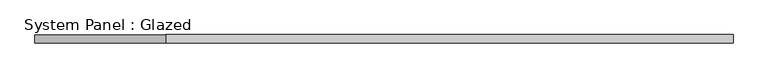
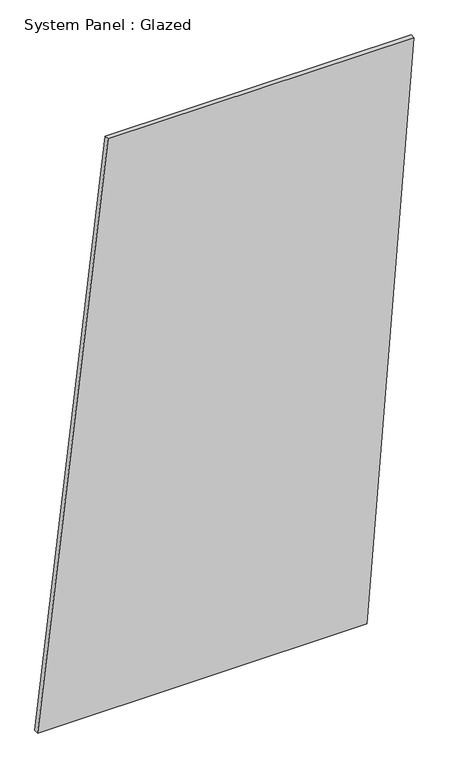
"""IFC4 building model written with IfcOpenShell, lengths in millimetres: plate geometry, System Panel : Glazed."""

from ifc_helpers import new_model, si_unit, frame, origin, place, context, project, spatial, polyline, outline, extrude, source, transform, mapped, element, save


def system_panel_glazed_9851fb09(model_context):
    return source(origin(), model_context, "Body", "SweptSolid", [
        extrude(outline(polyline([(0.0, -1040.3508494), (0.0, 780.8384105), (3332.3060389, 1040.3508494), (3332.3060389, -651.0821911), (0.0, -1040.3508494)])), frame((0.0, -49.5, 0.0), z_axis=(0.0, 1.0, 0.0), x_axis=(0.0, 0.0, 1.0)), (0.0, 0.0, 1.0), 25.0),
    ])


if __name__ == "__main__":
    model = new_model("IFC4")
    model_context = context("Model", 3, world=origin())
    ifc_project = project(units=[si_unit("LENGTHUNIT", "METRE", prefix="MILLI")], contexts=[model_context])
    site = spatial("IfcSite", under=ifc_project)
    building = spatial("IfcBuilding", under=site)
    placement = place(None, origin())
    system_panel_glazed_shape = system_panel_glazed_9851fb09(model_context)
    element("IfcPlate", 1, ObjectType="System Panel : Glazed", at=placement, inside=building, context=model_context, shape_type="MappedRepresentation", body=[
        mapped(system_panel_glazed_shape, transform((0.0, 0.0, 0.0), x_axis=(1.0, 0.0, 0.0), y_axis=(0.0, 1.0, 0.0), z_axis=(0.0, 0.0, 1.0))),
    ])
    save(model, "model.ifc")
